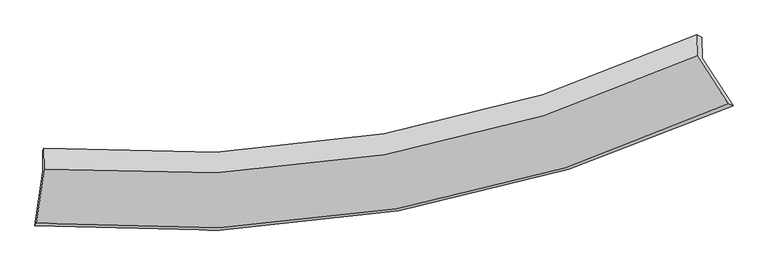
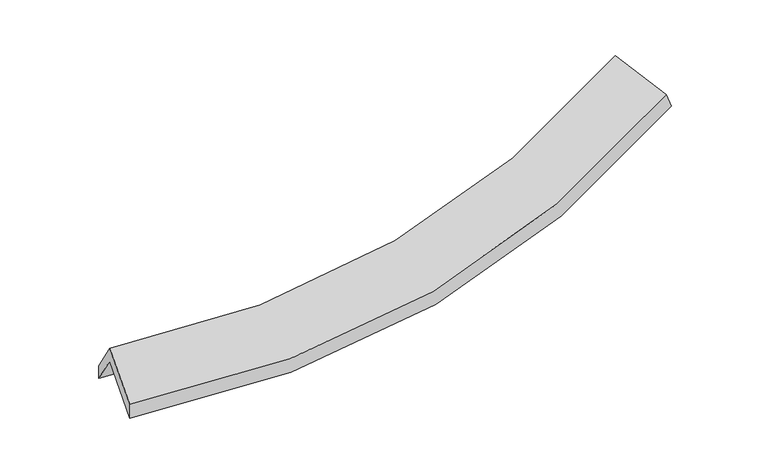
"""IFC4 building model written with IfcOpenShell, lengths in millimetres: proxy geometry."""

from ifc_helpers import new_model, si_unit, frame, origin, place, context, project, spatial, source, transform, mapped, element, save
from ifc_brep_helpers import plane_surface, spline_curve, spline_surface, advanced_brep


def generic_models_7a605c0b(model_context):
    return source(origin(), model_context, "Body", "AdvancedBrep", [
        advanced_brep(
        [(-3547.2935059, -2552.0418792, 1544.0969224), (-3464.5723052, -1988.8497317, 1891.3472201), (3299.4159469, -834.124487, 2529.8966807), (3614.7327016, -1319.9956883, 2225.5652161), (-3468.7950991, -1776.5118482, 1547.9703681), (3295.1359975, -618.9126161, 2181.8722326), (-3456.3689253, -1757.0743053, 1688.1536001), (3240.4338763, -592.6333017, 2332.5941267), (-3452.0819571, -1972.6391079, 2036.7487829), (3244.7138257, -807.8451726, 2680.6185748), (-3533.4438698, -2526.5767915, 1695.204558), (3564.2488647, -1300.2163231, 2372.2157863)],
        [
            (0, 1),
            (1, 2, spline_curve(3, [(-3464.5723052, -1988.8497317, 1891.3472201), (-2255.806482147, -2090.035146579, 1802.604793081), (-1081.897651727, -2041.697459222, 1813.122469406), (1171.254716806, -1650.310086477, 2030.273310603), (2252.008637595, -1313.739358819, 2232.605454446), (3299.4159469, -834.124487, 2529.8966807)], [4, 2, 4], [0.0, 11.910526957953099, 23.56014990344121])),
            (2, 3),
            (3, 0, spline_curve(3, [(3614.7327016, -1319.9956883, 2225.5652161), (2507.280506127, -1831.583179014, 1909.241137215), (1363.73242032, -2190.618742003, 1693.789388123), (-1021.974742918, -2608.210403783, 1462.064437672), (-2265.768726038, -2659.8569042, 1450.360089049), (-3547.2935059, -2552.0418792, 1544.0969224)], [4, 2, 4], [0.0, 11.649622945488112, 23.56014990344121])),
            (1, 4),
            (4, 5, spline_curve(3, [(-3468.7950991, -1776.5118482, 1547.9703681), (-2260.045606678, -1876.876085083, 1457.899993937), (-1086.149720745, -1827.887522929, 1467.365124341), (1166.983742975, -1435.549533851, 1682.97870047), (2247.731555625, -1098.671685228, 1884.814191289), (3295.1359975, -618.9126161, 2181.8722326)], [4, 2, 4], [0.0, 11.567525990025299, 22.88166151666095])),
            (5, 2),
            (4, 6),
            (6, 7, spline_curve(3, [(-3456.3689253, -1757.0743053, 1688.1536001), (-2257.32306956, -1857.748652355, 1613.916752785), (-1093.943879516, -1808.330583619, 1632.108757137), (1136.778254971, -1413.67995542, 1850.927283799), (2205.666665589, -1074.951023317, 2047.548788032), (3240.4338763, -592.6333017, 2332.5941267)], [4, 2, 4], [0.0, 11.513021813005654, 22.77384709455521])),
            (7, 5),
            (6, 8),
            (8, 9, spline_curve(3, [(-3452.0819571, -1972.6391079, 2036.7487829), (-2253.101225704, -2070.038759222, 1957.216343511), (-1089.754835354, -2018.971408098, 1972.741253125), (1140.966360405, -1624.273566777, 2191.483429709), (2209.885230991, -1287.076272728, 2390.581783802), (3244.7138257, -807.8451726, 2680.6185748)], [4, 2, 4], [0.0, 11.45863839926905, 22.666271553656102])),
            (9, 7),
            (8, 10),
            (10, 11, spline_curve(3, [(-3533.4438698, -2526.5767915, 1695.204558), (-2262.512593037, -2636.747875237, 1606.889664897), (-1029.437223188, -2586.750720799, 1620.895269076), (1334.820027729, -2171.023678081, 1850.999308612), (2467.642236008, -1812.234009348, 2062.664114295), (3564.2488647, -1300.2163231, 2372.2157863)], [4, 2, 4], [0.0, 11.802445033263586, 23.34635362418952])),
            (11, 9),
            (10, 0),
            (3, 11),
        ],
        [
            spline_surface(3, 3, [[(-3547.2935059, -2552.0418792, 1544.0969224), (-2265.768726116, -2659.856904161, 1450.360089063), (-1021.974742811, -2608.210403621, 1462.06443779), (1363.732420215, -2190.618742161, 1693.789388008), (2507.280506064, -1831.583179088, 1909.241137191), (3614.7327016, -1319.9956883, 2225.5652161)], [(-3519.719772311, -2364.311163365, 1659.847021616), (-2262.447978049, -2469.916318253, 1567.774990353), (-1041.949045833, -2419.372755494, 1579.083781627), (1299.573185775, -2010.515856943, 1805.950695557), (2422.189883215, -1658.968572334, 2017.029242961), (3509.627116696, -1158.0386212, 2327.009037622)], [(-3492.146038789, -2176.580447535, 1775.597120884), (-2259.12723005, -2279.975732351, 1685.189891694), (-1061.923348826, -2230.535107344, 1696.103125489), (1235.413951364, -1830.412971701, 1918.112003131), (2337.099260377, -1486.35396558, 2124.817348764), (3404.521531804, -996.0815541, 2428.452859178)], [(-3464.5723052, -1988.8497317, 1891.3472201), (-2255.806481983, -2090.035146443, 1802.604792984), (-1081.897651847, -2041.697459217, 1813.122469326), (1171.254716924, -1650.310086482, 2030.27331068), (2252.008637528, -1313.739358825, 2232.605454535), (3299.4159469, -834.124487, 2529.8966807)]], [4, 4], [4, 2, 4], [0.0, 2.1773179182139932], [0.0, 11.910526957953099, 23.56014990344121]),
            spline_surface(3, 3, [[(-3464.5723052, -1988.8497317, 1891.3472201), (-2255.806481983, -2090.035146443, 1802.604792984), (-1081.897651847, -2041.697459217, 1813.122469326), (1171.254716924, -1650.310086482, 2030.27331068), (2252.008637528, -1313.739358825, 2232.605454535), (3299.4159469, -834.124487, 2529.8966807)], [(-3465.979903191, -1918.070437174, 1776.888269434), (-2257.219523602, -2018.982125942, 1687.703193263), (-1083.315008146, -1970.427480439, 1697.870021), (1169.831058944, -1578.723235571, 1914.508440579), (2250.582943628, -1242.050134269, 2116.675033475), (3297.98929711, -762.387196705, 2413.888531343)], [(-3467.387501109, -1847.291142726, 1662.429318766), (-2258.632565148, -1947.92910552, 1572.801593541), (-1084.73236445, -1899.157501735, 1582.617572718), (1168.407400959, -1507.136384735, 1798.743570521), (2249.157249698, -1170.360909698, 2000.744612387), (3296.56264729, -690.649906395, 2297.880381957)], [(-3468.7950991, -1776.5118482, 1547.9703681), (-2260.045606767, -1876.876085019, 1457.89999382), (-1086.149720748, -1827.887522956, 1467.365124392), (1166.983742978, -1435.549533824, 1682.97870042), (2247.731555799, -1098.671685142, 1884.814191327), (3295.1359975, -618.9126161, 2181.8722326)]], [4, 4], [4, 2, 4], [0.0, 1.3367164985943305], [0.0, 11.567525990025299, 22.88166151666095]),
            spline_surface(3, 3, [[(-3468.7950991, -1776.5118482, 1547.9703681), (-2260.045606767, -1876.876085019, 1457.89999382), (-1086.149720748, -1827.887522956, 1467.365124392), (1166.983742978, -1435.549533824, 1682.97870042), (2247.731555799, -1098.671685142, 1884.814191327), (3295.1359975, -618.9126161, 2181.8722326)], [(-3464.653041145, -1770.032667239, 1594.698112121), (-2259.138094396, -1870.50027419, 1509.905580166), (-1088.747773744, -1821.368543127, 1522.279668714), (1156.915247022, -1428.259674415, 1738.961561499), (2233.709925757, -1090.764797895, 1939.059056878), (3276.901957097, -610.152844624, 2232.112863962)], [(-3460.510983255, -1763.553486261, 1641.425856079), (-2258.230582089, -1864.124463344, 1561.911166451), (-1091.345826701, -1814.849563283, 1577.194212998), (1146.846751105, -1420.969814992, 1794.944422542), (2219.688295723, -1082.857910674, 1993.303922445), (3258.667916703, -601.393073176, 2282.353495338)], [(-3456.3689253, -1757.0743053, 1688.1536001), (-2257.323069718, -1857.748652514, 1613.916752798), (-1093.943879697, -1808.330583453, 1632.108757319), (1136.778255148, -1413.679955582, 1850.927283621), (2205.666665681, -1074.951023427, 2047.548787997), (3240.4338763, -592.6333017, 2332.5941267)]], [4, 4], [4, 2, 4], [0.0, 0.5532666938841816], [0.0, 11.513021813005654, 22.77384709455521]),
            spline_surface(3, 3, [[(-3456.3689253, -1757.0743053, 1688.1536001), (-2257.323069718, -1857.748652514, 1613.916752798), (-1093.943879697, -1808.330583453, 1632.108757319), (1136.778255148, -1413.679955582, 1850.927283621), (2205.666665681, -1074.951023427, 2047.548787997), (3240.4338763, -592.6333017, 2332.5941267)], [(-3454.939935908, -1828.92923952, 1804.351994363), (-2255.915788443, -1928.512021409, 1728.349949731), (-1092.547531591, -1878.544191665, 1745.652922631), (1138.174290274, -1483.877825989, 1964.445998939), (2207.072854109, -1145.659439876, 2161.893119967), (3241.86052609, -664.370591995, 2448.602276057)], [(-3453.510946492, -1900.78417368, 1920.550388637), (-2254.508507142, -1999.275390244, 1842.783146676), (-1091.151183534, -1948.757799869, 1859.197087947), (1139.570325352, -1554.075696388, 2077.96471426), (2208.479042567, -1216.367856338, 2276.237451965), (3243.28717591, -736.107882305, 2564.610425443)], [(-3452.0819571, -1972.6391079, 2036.7487829), (-2253.101225867, -2070.038759139, 1957.216343609), (-1089.754835428, -2018.97140808, 1972.741253259), (1140.966360477, -1624.273566794, 2191.483429578), (2209.885230995, -1287.076272787, 2390.581783936), (3244.7138257, -807.8451726, 2680.6185748)]], [4, 4], [4, 2, 4], [0.0, 1.3139070944956217], [0.0, 11.45863839926905, 22.666271553656102]),
            spline_surface(3, 3, [[(-3452.0819571, -1972.6391079, 2036.7487829), (-2253.101225867, -2070.038759139, 1957.216343609), (-1089.754835428, -2018.97140808, 1972.741253259), (1140.966360477, -1624.273566794, 2191.483429578), (2209.885230995, -1287.076272787, 2390.581783936), (3244.7138257, -807.8451726, 2680.6185748)], [(-3479.202594665, -2157.285002425, 1922.900707927), (-2256.238348292, -2258.941797867, 1840.440784074), (-1069.648964691, -2208.23117906, 1855.459258471), (1205.584249543, -1806.523603847, 2077.988722652), (2295.80423265, -1462.128851688, 2281.275894086), (3351.225505385, -971.968889427, 2577.817645297)], [(-3506.323232235, -2341.930896975, 1809.052632973), (-2259.375470721, -2447.84483662, 1723.665224557), (-1049.543093913, -2397.490949995, 1738.177263677), (1270.202138651, -1988.773640856, 1964.49401572), (2381.72323425, -1637.181430608, 2171.970004245), (3457.737185015, -1136.092606273, 2475.016715803)], [(-3533.4438698, -2526.5767915, 1695.204558), (-2262.512593146, -2636.747875348, 1606.889665022), (-1029.437223176, -2586.750720975, 1620.895268889), (1334.820027717, -2171.023677909, 1850.999308795), (2467.642235904, -1812.23400951, 2062.664114396), (3564.2488647, -1300.2163231, 2372.2157863)]], [4, 4], [4, 2, 4], [0.0, 2.1922573867533672], [0.0, 11.802445033263586, 23.34635362418952]),
            spline_surface(3, 3, [[(-3533.4438698, -2526.5767915, 1695.204558), (-2262.512593146, -2636.747875348, 1606.889665022), (-1029.437223176, -2586.750720975, 1620.895268889), (1334.820027717, -2171.023677909, 1850.999308795), (2467.642235904, -1812.23400951, 2062.664114396), (3564.2488647, -1300.2163231, 2372.2157863)], [(-3538.06041518, -2535.065154078, 1644.835346139), (-2263.597970816, -2644.450884963, 1554.713139708), (-1026.949729702, -2593.903948519, 1567.951658532), (1344.457491902, -2177.555365988, 1798.596001875), (2480.854992612, -1818.683732718, 2011.523122013), (3581.076810322, -1306.809444849, 2323.332262919)], [(-3542.67696052, -2543.553516622, 1594.466134261), (-2264.683348446, -2652.153894545, 1502.536614377), (-1024.462236285, -2601.057176078, 1515.008048147), (1354.09495603, -2184.087054082, 1746.192694928), (2494.067749356, -1825.13345588, 1960.382129574), (3597.904755978, -1313.402566551, 2274.448739481)], [(-3547.2935059, -2552.0418792, 1544.0969224), (-2265.768726116, -2659.856904161, 1450.360089063), (-1021.974742811, -2608.210403621, 1462.06443779), (1363.732420215, -2190.618742161, 1693.789388008), (2507.280506064, -1831.583179088, 1909.241137191), (3614.7327016, -1319.9956883, 2225.5652161)]], [4, 4], [4, 2, 4], [0.0, 0.5261651999004318], [0.0, 12.19988868155188, 24.13253478686177]),
            plane_surface(frame((3376.4468688, -912.2879315, 2387.1271029), z_axis=(0.8761571737311923, 0.41471744768522567, 0.245678744511652), x_axis=(0.481912042651217, -0.742577676530268, -0.46512275526643543))),
            plane_surface(frame((-3487.0926104, -2095.6156106, 1733.9202419), z_axis=(-0.992219775460622, 0.10006154491504371, 0.07407836670774956), x_axis=(0.09001282056926467, 0.16550502480919463, 0.9820925510847098))),
        ],
        [
            (0, [[1, 2, 3, 4]]),
            (1, [[5, 6, 7, -2]]),
            (2, [[8, 9, 10, -6]]),
            (3, [[11, 12, 13, -9]]),
            (4, [[14, 15, 16, -12]]),
            (5, [[17, -4, 18, -15]]),
            (6, [[-16, -18, -3, -7, -10, -13]]),
            (7, [[-17, -14, -11, -8, -5, -1]]),
        ],
    ),
    ])


if __name__ == "__main__":
    model = new_model("IFC4")
    model_context = context("Model", 3, world=origin())
    ifc_project = project(units=[si_unit("LENGTHUNIT", "METRE", prefix="MILLI")], contexts=[model_context])
    site = spatial("IfcSite", under=ifc_project)
    building = spatial("IfcBuilding", under=site)
    placement = place(None, origin())
    generic_models_shape = generic_models_7a605c0b(model_context)
    element("IfcBuildingElementProxy", 1, Name="Generic Models", at=placement, inside=building, context=model_context, shape_type="MappedRepresentation", body=[
        mapped(generic_models_shape, transform((0.0, 0.0, 0.0), x_axis=(1.0, 0.0, 0.0), y_axis=(0.0, 1.0, 0.0), z_axis=(0.0, 0.0, 1.0))),
    ])
    save(model, "model.ifc")
